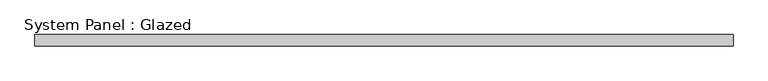
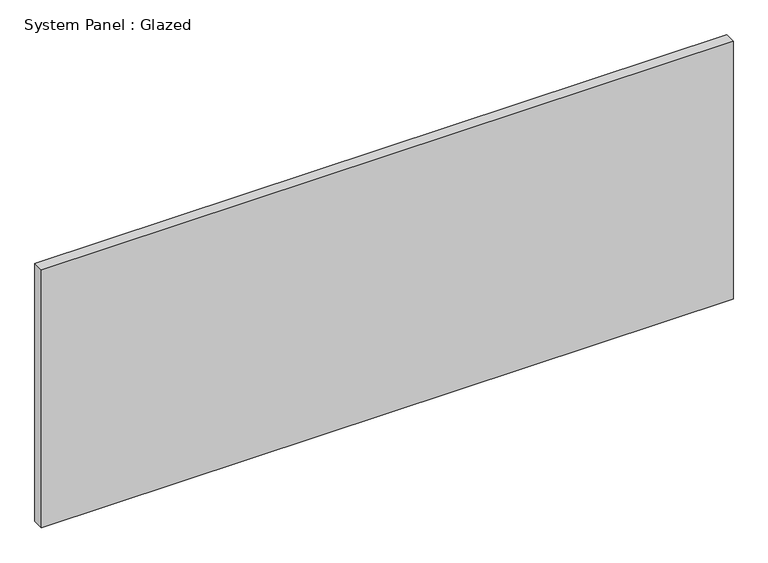
"""IFC4 building model written with IfcOpenShell, lengths in millimetres: plate geometry, System Panel : Glazed."""

from ifc_helpers import new_model, si_unit, origin, origin_with_axes, place, context, project, spatial, polyline, outline, extrude, source, transform, mapped, element, save


def system_panel_glazed_2cec7d53(model_context):
    return source(origin(), model_context, "Body", "SweptSolid", [
        extrude(outline(polyline([(773.7881809, 19.05), (-773.7881809, 19.05), (-773.7881809, 44.45), (773.7881809, 44.45), (773.7881809, 19.05)])), origin_with_axes(), (0.0, 0.0, 1.0), 609.6),
    ])


if __name__ == "__main__":
    model = new_model("IFC4")
    model_context = context("Model", 3, world=origin())
    ifc_project = project(units=[si_unit("LENGTHUNIT", "METRE", prefix="MILLI")], contexts=[model_context])
    site = spatial("IfcSite", under=ifc_project)
    building = spatial("IfcBuilding", under=site)
    placement = place(None, origin())
    system_panel_glazed_shape = system_panel_glazed_2cec7d53(model_context)
    element("IfcPlate", 1, ObjectType="System Panel : Glazed", at=placement, inside=building, context=model_context, shape_type="MappedRepresentation", body=[
        mapped(system_panel_glazed_shape, transform((0.0, 0.0, 0.0), x_axis=(1.0, 0.0, 0.0), y_axis=(0.0, 1.0, 0.0), z_axis=(0.0, 0.0, 1.0))),
    ])
    save(model, "model.ifc")
